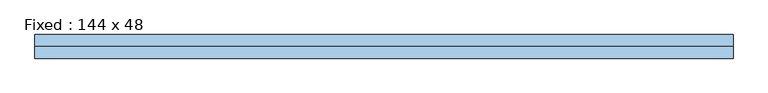
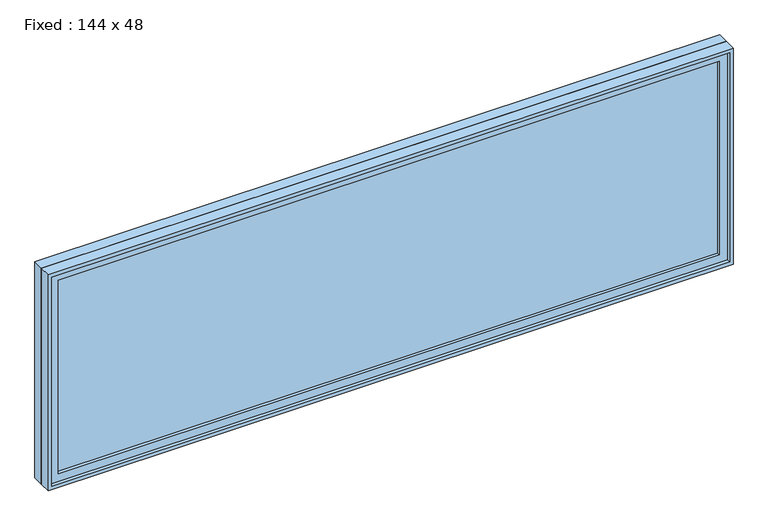
"""IFC4 building model written with IfcOpenShell, lengths in millimetres: window geometry, Fixed : 144 x 48."""

from ifc_helpers import new_model, si_unit, frame, origin, place, context, project, spatial, polyline, outline, extrude, source, transform, mapped, element, save


def fixed_144_x_48_29d34a77(model_context):
    return source(origin(), model_context, "Body", "SweptSolid", [
        extrude(outline(polyline([(1727.2, -14.2875), (1727.2, -26.9875), (-1803.4, -26.9875), (-1803.4, -14.2875), (1727.2, -14.2875)])), frame((0.0, 0.0, 977.9), z_axis=(0.0, 0.0, 1.0), x_axis=(1.0, 0.0, 0.0)), (0.0, 0.0, 1.0), 1092.2),
        extrude(outline(polyline([(2114.55, -1847.85), (933.45, -1847.85), (933.45, 1771.65), (2114.55, 1771.65), (2114.55, -1847.85)]), holes=[polyline([(2070.1, -1803.4), (2070.1, 1727.2), (977.9, 1727.2), (977.9, -1803.4), (2070.1, -1803.4)])]), frame((0.0, -42.8625, 0.0), z_axis=(0.0, 1.0, 0.0), x_axis=(0.0, 0.0, 1.0)), (0.0, 0.0, 1.0), 44.45),
        extrude(outline(polyline([(2133.6, -1866.9), (914.4, -1866.9), (914.4, 1790.7), (2133.6, 1790.7), (2133.6, -1866.9)]), holes=[polyline([(2101.85, -1835.15), (2101.85, 1758.95), (946.15, 1758.95), (946.15, -1835.15), (2101.85, -1835.15)])]), frame((0.0, 1.5875, 0.0), z_axis=(0.0, 1.0, 0.0), x_axis=(0.0, 0.0, 1.0)), (0.0, 0.0, 1.0), 60.325),
        extrude(outline(polyline([(2133.6, 1790.7), (2133.6, -1866.9), (914.4, -1866.9), (914.4, 1790.7), (2133.6, 1790.7)]), holes=[polyline([(2114.55, 1771.65), (933.45, 1771.65), (933.45, -1847.85), (2114.55, -1847.85), (2114.55, 1771.65)])]), frame((0.0, -61.9125, 0.0), z_axis=(0.0, 1.0, 0.0), x_axis=(0.0, 0.0, 1.0)), (0.0, 0.0, 1.0), 63.5),
    ])


if __name__ == "__main__":
    model = new_model("IFC4")
    model_context = context("Model", 3, world=origin())
    ifc_project = project(units=[si_unit("LENGTHUNIT", "METRE", prefix="MILLI")], contexts=[model_context])
    site = spatial("IfcSite", under=ifc_project)
    building = spatial("IfcBuilding", under=site)
    placement = place(None, origin())
    fixed_144_x_48_shape = fixed_144_x_48_29d34a77(model_context)
    element("IfcWindow", 1, ObjectType="Fixed : 144 x 48", at=placement, inside=building, context=model_context, shape_type="MappedRepresentation", body=[
        mapped(fixed_144_x_48_shape, transform((0.0, 0.0, 0.0), x_axis=(1.0, 0.0, 0.0), y_axis=(0.0, 1.0, 0.0), z_axis=(0.0, 0.0, 1.0))),
    ])
    save(model, "model.ifc")
